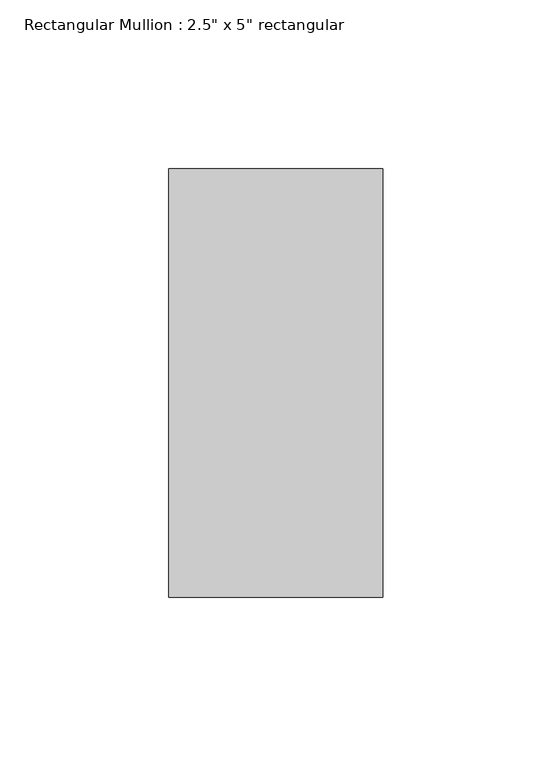
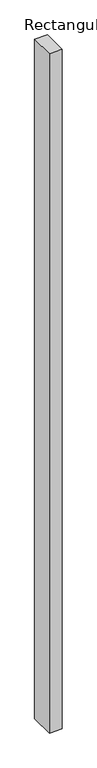
"""IFC4 building model written with IfcOpenShell, lengths in millimetres: member geometry."""

from ifc_helpers import new_model, si_unit, frame, origin, place, context, project, spatial, polyline, outline, extrude, source, transform, mapped, element, save


def member_6ff1a3fe(model_context):
    return source(origin(), model_context, "Body", "SweptSolid", [
        extrude(outline(polyline([(31.75, 63.5), (31.75, -63.5), (-31.75, -63.5), (-31.75, 63.5), (31.75, 63.5)])), frame((0.0, 0.0, -3601.3262089), z_axis=(0.0, 0.0, 1.0), x_axis=(1.0, 0.0, 0.0)), (0.0, 0.0, 1.0), 3601.3262089),
    ])


if __name__ == "__main__":
    model = new_model("IFC4")
    model_context = context("Model", 3, world=origin())
    ifc_project = project(units=[si_unit("LENGTHUNIT", "METRE", prefix="MILLI")], contexts=[model_context])
    site = spatial("IfcSite", under=ifc_project)
    building = spatial("IfcBuilding", under=site)
    placement = place(None, origin())
    member_shape = member_6ff1a3fe(model_context)
    element("IfcMember", 1, ObjectType="Rectangular Mullion : 2.5\" x 5\" rectangular", at=placement, inside=building, context=model_context, shape_type="MappedRepresentation", body=[
        mapped(member_shape, transform((0.0, 0.0, 0.0), x_axis=(1.0, 0.0, 0.0), y_axis=(0.0, 1.0, 0.0), z_axis=(0.0, 0.0, 1.0))),
    ])
    save(model, "model.ifc")
